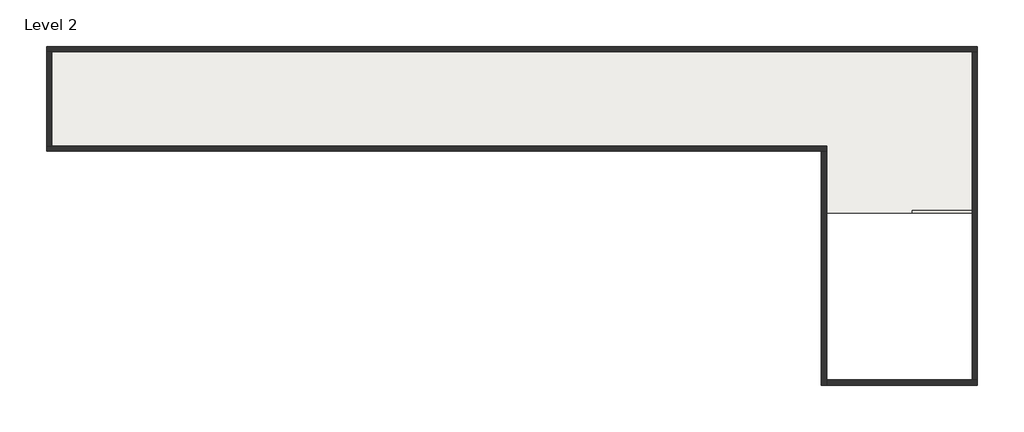
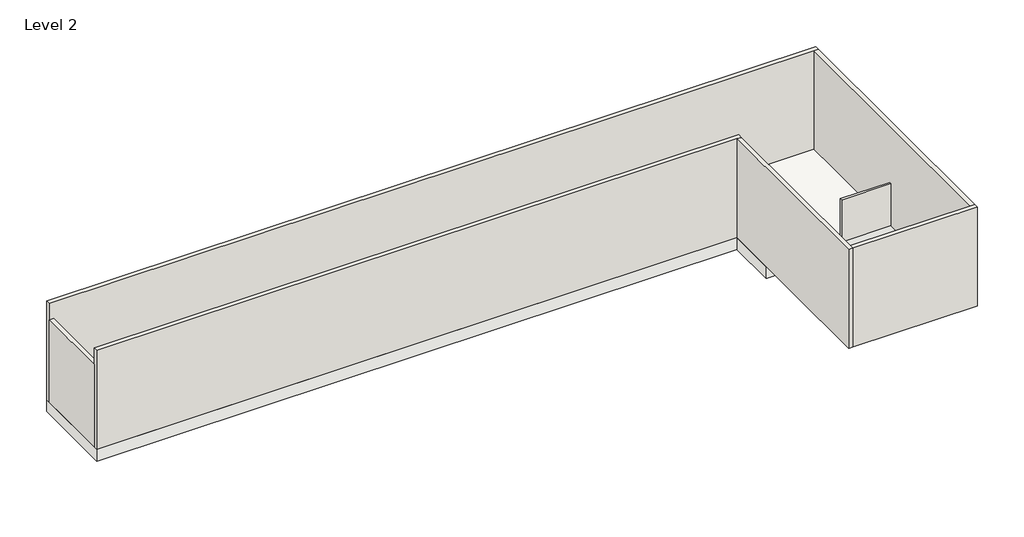
# One storey: 7 walls, 1 slab.
"""IFC4 building model written with IfcOpenShell, lengths in millimetres."""

from ifc_helpers import new_model, si_unit, frame, origin, place, context, project, spatial, polyline, outline, extrude, faceted_brep, element, save

model = new_model("IFC4")

# Units and contexts
model_context = context("Model", 3, world=origin())
ifc_project = project(units=[si_unit("LENGTHUNIT", "METRE", prefix="MILLI")], contexts=[model_context])

# Site, building, storey
site = spatial("IfcSite", under=ifc_project)
building = spatial("IfcBuilding", under=site)
storey = spatial("IfcBuildingStorey", under=building, Name="Level 2", Elevation=2650.0)

# Slab
placement = place(None, origin())
element("IfcSlab", 1, at=placement, inside=storey, context=model_context, shape_type="SweptSolid", body=[
    extrude(outline(polyline([(861.159601, 6454.4843458), (861.159601, 8404.4843458), (18161.159601, 8404.4843458), (18161.159601, 5304.4843458), (15261.159601, 5304.4843458), (15261.159601, 6454.4843458), (861.159601, 6454.4843458)])), frame((0.0, 0.0, 2370.0), z_axis=(0.0, 0.0, 1.0), x_axis=(1.0, 0.0, 0.0)), (0.0, 0.0, 1.0), 280.0),
])

# Walls
element("IfcWall", 2, at=placement, inside=storey, context=model_context, shape_type="Brep", body=[
    faceted_brep([(18161.159601, 8404.4843458, 2650.0), (861.159601, 8404.4843458, 2650.0), (861.159601, 8404.4843458, 5000.0), (18161.159601, 8404.4843458, 5000.0), (18161.159601, 8304.4843458, 2650.0), (18161.159601, 8304.4843458, 5000.0), (18061.159601, 8304.4843458, 5000.0), (861.159601, 8304.4843458, 5000.0), (861.159601, 8304.4843458, 4610.0), (861.159601, 8304.4843458, 2650.0), (961.159601, 8304.4843458, 2650.0), (18061.159601, 8304.4843458, 2650.0)], [[[0, 1, 2, 3]], [[4, 5, 6, 7, 8, 9, 10, 11]], [[1, 0, 4, 11, 10, 9]], [[3, 2, 7, 6, 5]], [[2, 1, 9, 8, 7]], [[0, 3, 5, 4]]]),
])
element("IfcWall", 3, at=placement, inside=storey, context=model_context, shape_type="SweptSolid", body=[
    extrude(outline(polyline([(861.159601, 6554.4843458), (861.159601, 8304.4843458), (961.159601, 8304.4843458), (961.159601, 6554.4843458), (861.159601, 6554.4843458)])), frame((0.0, 0.0, 2650.0), z_axis=(0.0, 0.0, 1.0), x_axis=(1.0, 0.0, 0.0)), (0.0, 0.0, 1.0), 1960.0),
])
element("IfcWall", 4, at=placement, inside=storey, context=model_context, shape_type="Brep", body=[
    faceted_brep([(861.159601, 6454.4843458, 2650.0), (15261.159601, 6454.4843458, 2650.0), (15361.159601, 6454.4843458, 2650.0), (15361.159601, 6454.4843458, 5000.0), (15261.159601, 6454.4843458, 5000.0), (861.159601, 6454.4843458, 5000.0), (861.159601, 6554.4843458, 2650.0), (861.159601, 6554.4843458, 4610.0), (861.159601, 6554.4843458, 5000.0), (15361.159601, 6554.4843458, 5000.0), (15361.159601, 6554.4843458, 2650.0), (961.159601, 6554.4843458, 2650.0)], [[[0, 1, 2, 3, 4, 5]], [[6, 7, 8, 9, 10, 11]], [[2, 1, 0, 6, 11, 10]], [[5, 4, 3, 9, 8]], [[3, 2, 10, 9]], [[0, 5, 8, 7, 6]]]),
])
element("IfcWall", 5, at=placement, inside=storey, context=model_context, shape_type="Brep", body=[
    faceted_brep([(15261.159601, 6454.4843458, 2650.0), (15261.159601, 2104.4843458, 2650.0), (15261.159601, 2104.4843458, 5000.0), (15261.159601, 6454.4843458, 5000.0), (15361.159601, 6454.4843458, 2650.0), (15361.159601, 6454.4843458, 5000.0), (15361.159601, 2204.4843458, 5000.0), (15361.159601, 2104.4843458, 5000.0), (15361.159601, 2104.4843458, 2650.0), (15361.159601, 2204.4843458, 2650.0)], [[[0, 1, 2, 3]], [[4, 5, 6, 7, 8, 9]], [[1, 0, 4, 9, 8]], [[3, 2, 7, 6, 5]], [[0, 3, 5, 4]], [[2, 1, 8, 7]]]),
])
element("IfcWall", 6, at=placement, inside=storey, context=model_context, shape_type="Brep", body=[
    faceted_brep([(15361.159601, 2104.4843458, 2650.0), (18161.159601, 2104.4843458, 2650.0), (18161.159601, 2104.4843458, 5000.0), (15361.159601, 2104.4843458, 5000.0), (15361.159601, 2204.4843458, 2650.0), (15361.159601, 2204.4843458, 5000.0), (18061.159601, 2204.4843458, 5000.0), (18161.159601, 2204.4843458, 5000.0), (18161.159601, 2204.4843458, 2650.0), (18061.159601, 2204.4843458, 2650.0)], [[[0, 1, 2, 3]], [[4, 5, 6, 7, 8, 9]], [[1, 0, 4, 9, 8]], [[3, 2, 7, 6, 5]], [[0, 3, 5, 4]], [[2, 1, 8, 7]]]),
])
element("IfcWall", 7, at=placement, inside=storey, context=model_context, shape_type="Brep", body=[
    faceted_brep([(18161.159601, 2204.4843458, 2650.0), (18161.159601, 8304.4843458, 2650.0), (18161.159601, 8304.4843458, 5000.0), (18161.159601, 2204.4843458, 5000.0), (18061.159601, 2204.4843458, 2650.0), (18061.159601, 2204.4843458, 5000.0), (18061.159601, 8304.4843458, 5000.0), (18061.159601, 8304.4843458, 2650.0), (18061.159601, 5354.4843458, 2650.0), (18061.159601, 5304.4843458, 2650.0)], [[[0, 1, 2, 3]], [[4, 5, 6, 7, 8, 9]], [[1, 0, 4, 9, 8, 7]], [[3, 2, 6, 5]], [[2, 1, 7, 6]], [[0, 3, 5, 4]]]),
])
element("IfcWall", 8, at=placement, inside=storey, context=model_context, shape_type="SweptSolid", body=[
    extrude(outline(polyline([(16951.159601, 5354.4843458), (18061.159601, 5354.4843458), (18061.159601, 5304.4843458), (16951.159601, 5304.4843458), (16951.159601, 5354.4843458)])), frame((0.0, 0.0, 2650.0), z_axis=(0.0, 0.0, 1.0), x_axis=(1.0, 0.0, 0.0)), (0.0, 0.0, 1.0), 1000.0),
])

save(model, "model.ifc")
